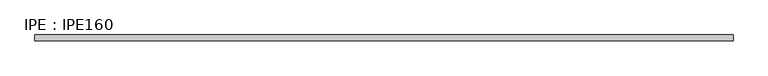
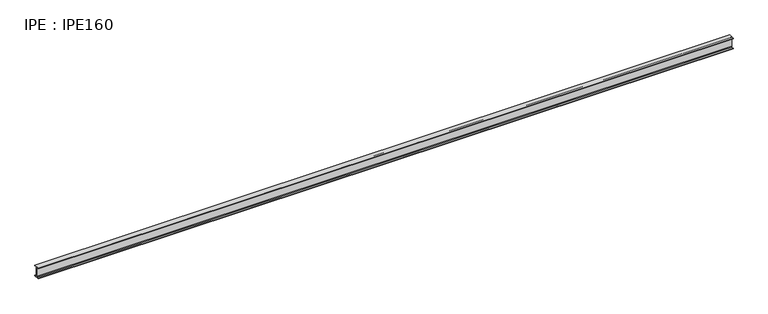
"""IFC4 building model written with IfcOpenShell, lengths in millimetres: beam geometry, IPE : IPE160."""

from ifc_helpers import new_model, si_unit, point, frame, frame_2d, origin, place, context, project, spatial, polyline, circle_curve, trimmed, segment, composite_curve, outline, extrude, source, transform, mapped, element, save


def ipe_ipe160_557e9343(model_context):
    return source(origin(), model_context, "Body", "SweptSolid", [
        extrude(outline(composite_curve([segment(polyline([(41.0, -72.6), (41.0, -80.0), (-41.0, -80.0), (-41.0, -72.6), (-11.5, -72.6)]), True, "CONTINUOUS"), segment(trimmed(circle_curve(frame_2d((-11.5, -63.6)), 9.0), [point((-11.5, -72.6))], [point((-2.5, -63.6))], True, "CARTESIAN"), True, "CONTINUOUS"), segment(polyline([(-2.5, -63.6), (-2.5, 63.6)]), True, "CONTINUOUS"), segment(trimmed(circle_curve(frame_2d((-11.5, 63.6)), 9.0), [point((-2.5, 63.6))], [point((-11.5, 72.6))], True, "CARTESIAN"), True, "CONTINUOUS"), segment(polyline([(-11.5, 72.6), (-41.0, 72.6), (-41.0, 80.0), (41.0, 80.0), (41.0, 72.6), (11.5, 72.6)]), True, "CONTINUOUS"), segment(trimmed(circle_curve(frame_2d((11.5, 63.6)), 9.0), [point((11.5, 72.6))], [point((2.5, 63.6))], True, "CARTESIAN"), True, "CONTINUOUS"), segment(polyline([(2.5, 63.6), (2.5, -63.6)]), True, "CONTINUOUS"), segment(trimmed(circle_curve(frame_2d((11.5, -63.6)), 9.0), [point((2.5, -63.6))], [point((11.5, -72.6))], True, "CARTESIAN"), True, "CONTINUOUS"), segment(polyline([(11.5, -72.6), (41.0, -72.6)]), True, "CONTINUOUS")], self_intersect=False)), frame((-5000.0, 0.0, 0.0), z_axis=(1.0, 0.0, 0.0), x_axis=(0.0, 1.0, 0.0)), (0.0, 0.0, 1.0), 10000.0),
    ])


if __name__ == "__main__":
    model = new_model("IFC4")
    model_context = context("Model", 3, world=origin())
    ifc_project = project(units=[si_unit("LENGTHUNIT", "METRE", prefix="MILLI")], contexts=[model_context])
    site = spatial("IfcSite", under=ifc_project)
    building = spatial("IfcBuilding", under=site)
    placement = place(None, origin())
    ipe_ipe160_shape = ipe_ipe160_557e9343(model_context)
    element("IfcBeam", 1, ObjectType="IPE : IPE160", at=placement, inside=building, context=model_context, shape_type="MappedRepresentation", body=[
        mapped(ipe_ipe160_shape, transform((0.0, 0.0, 0.0), x_axis=(1.0, 0.0, 0.0), y_axis=(0.0, 1.0, 0.0), z_axis=(0.0, 0.0, 1.0))),
    ])
    save(model, "model.ifc")
